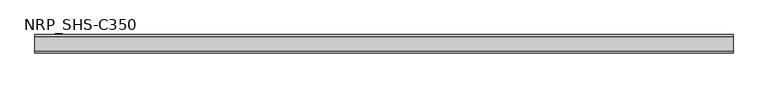
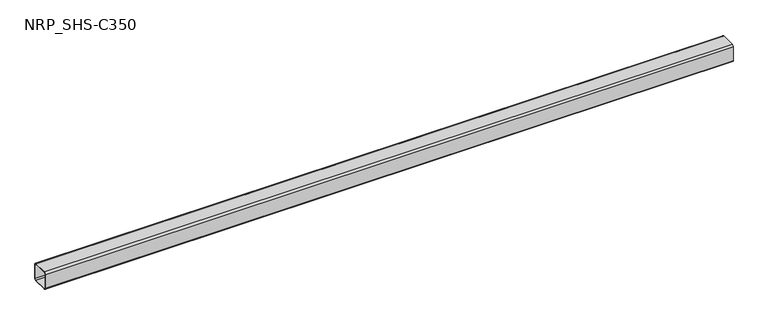
"""IFC4 building model written with IfcOpenShell, lengths in millimetres: member geometry, NRP_SHS-C350."""

from ifc_helpers import new_model, si_unit, point, frame, frame_2d, origin, place, context, project, spatial, polyline, circle_curve, trimmed, segment, composite_curve, outline, extrude, source, transform, mapped, element, save


def nrp_shs_c350_36805811(model_context):
    return source(origin(), model_context, "Body", "SweptSolid", [
        extrude(outline(composite_curve([segment(polyline([(44.5, 35.75), (44.5, -35.75)]), True, "CONTINUOUS"), segment(trimmed(circle_curve(frame_2d((35.75, -35.75)), 8.75), [point((44.5, -35.75))], [point((35.75, -44.5))], False, "CARTESIAN"), True, "CONTINUOUS"), segment(polyline([(35.75, -44.5), (-35.75, -44.5)]), True, "CONTINUOUS"), segment(trimmed(circle_curve(frame_2d((-35.75, -35.75)), 8.75), [point((-35.75, -44.5))], [point((-44.5, -35.75))], False, "CARTESIAN"), True, "CONTINUOUS"), segment(polyline([(-44.5, -35.75), (-44.5, 35.75)]), True, "CONTINUOUS"), segment(trimmed(circle_curve(frame_2d((-35.75, 35.75)), 8.75), [point((-44.5, 35.75))], [point((-35.75, 44.5))], False, "CARTESIAN"), True, "CONTINUOUS"), segment(polyline([(-35.75, 44.5), (35.75, 44.5)]), True, "CONTINUOUS"), segment(trimmed(circle_curve(frame_2d((35.75, 35.75)), 8.75), [point((35.75, 44.5))], [point((44.5, 35.75))], False, "CARTESIAN"), True, "CONTINUOUS")], self_intersect=False), holes=[composite_curve([segment(trimmed(circle_curve(frame_2d((-35.75, 35.75)), 5.25), [point((-35.75, 41.0))], [point((-41.0, 35.75))], True, "CARTESIAN"), True, "CONTINUOUS"), segment(polyline([(-41.0, 35.75), (-41.0, -35.75)]), True, "CONTINUOUS"), segment(trimmed(circle_curve(frame_2d((-35.75, -35.75)), 5.25), [point((-41.0, -35.75))], [point((-35.75, -41.0))], True, "CARTESIAN"), True, "CONTINUOUS"), segment(polyline([(-35.75, -41.0), (35.75, -41.0)]), True, "CONTINUOUS"), segment(trimmed(circle_curve(frame_2d((35.75, -35.75)), 5.25), [point((35.75, -41.0))], [point((41.0, -35.75))], True, "CARTESIAN"), True, "CONTINUOUS"), segment(polyline([(41.0, -35.75), (41.0, 35.75)]), True, "CONTINUOUS"), segment(trimmed(circle_curve(frame_2d((35.75, 35.75)), 5.25), [point((41.0, 35.75))], [point((35.75, 41.0))], True, "CARTESIAN"), True, "CONTINUOUS"), segment(polyline([(35.75, 41.0), (-35.75, 41.0)]), True, "CONTINUOUS")], self_intersect=False)]), frame((-1702.0, 0.0, 0.0), z_axis=(1.0, 0.0, 0.0), x_axis=(0.0, 1.0, 0.0)), (0.0, 0.0, 1.0), 3409.0),
    ])


if __name__ == "__main__":
    model = new_model("IFC4")
    model_context = context("Model", 3, world=origin())
    ifc_project = project(units=[si_unit("LENGTHUNIT", "METRE", prefix="MILLI")], contexts=[model_context])
    site = spatial("IfcSite", under=ifc_project)
    building = spatial("IfcBuilding", under=site)
    placement = place(None, origin())
    nrp_shs_c350_shape = nrp_shs_c350_36805811(model_context)
    element("IfcMember", 1, ObjectType="NRP_SHS-C350", at=placement, inside=building, context=model_context, shape_type="MappedRepresentation", body=[
        mapped(nrp_shs_c350_shape, transform((0.0, 0.0, 0.0), x_axis=(1.0, 0.0, 0.0), y_axis=(0.0, 1.0, 0.0), z_axis=(0.0, 0.0, 1.0))),
    ])
    save(model, "model.ifc")
